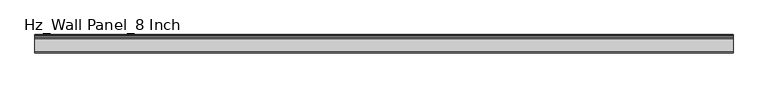
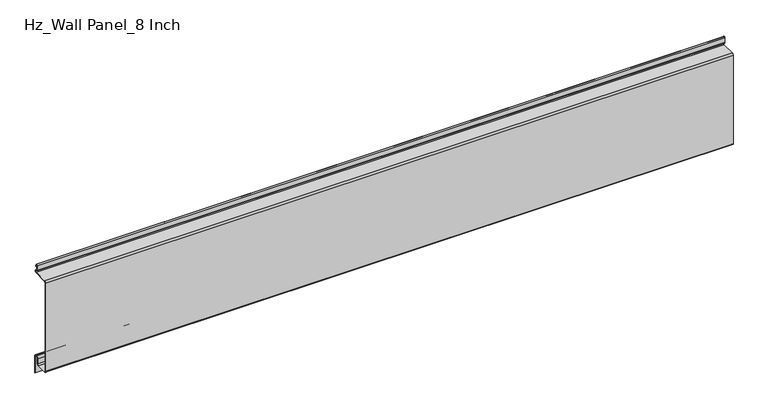
"""IFC4 building model written with IfcOpenShell, lengths in millimetres: plate geometry, Hz_Wall Panel_8 Inch."""

from ifc_helpers import new_model, si_unit, point, frame, frame_2d, origin, place, context, project, spatial, polyline, circle_curve, trimmed, segment, composite_curve, outline, extrude, source, transform, mapped, element, save


def hz_wall_panel_8_inch_5089414e(model_context):
    return source(origin(), model_context, "Body", "SweptSolid", [
        extrude(outline(composite_curve([segment(trimmed(circle_curve(frame_2d((-34.70689, 3.29311)), 3.29311), [point((-34.70689, 0.0))], [point((-38.0, 3.29311))], False, "CARTESIAN"), True, "CONTINUOUS"), segment(polyline([(-38.0, 3.29311), (-38.0, 199.90689)]), True, "CONTINUOUS"), segment(trimmed(circle_curve(frame_2d((-34.70689, 199.90689)), 3.29311), [point((-38.0, 199.90689))], [point((-34.70689, 203.2))], False, "CARTESIAN"), True, "CONTINUOUS"), segment(polyline([(-34.70689, 203.2), (-4.6773887, 203.2)]), True, "CONTINUOUS"), segment(trimmed(circle_curve(frame_2d((-4.660825, 205.4651212)), 2.2651817), [point((-4.6773887, 203.2))], [point((-4.6442612, 207.7302423))], True, "CARTESIAN"), True, "CONTINUOUS"), segment(polyline([(-4.6442612, 207.7302423), (-5.7777325, 207.7674798)]), True, "CONTINUOUS"), segment(trimmed(circle_curve(frame_2d((-5.3261005, 210.2256964)), 2.49936), [point((-5.7777325, 207.7674798))], [point((-7.8254605, 210.2256964))], False, "CARTESIAN"), True, "CONTINUOUS"), segment(polyline([(-7.8254605, 210.2256964), (-7.8254605, 220.565644)]), True, "CONTINUOUS"), segment(trimmed(circle_curve(frame_2d((-6.1368956, 220.5610222)), 1.6885712), [point((-7.8254605, 220.565644))], [point((-4.6205571, 221.3039826))], False, "CARTESIAN"), True, "CONTINUOUS"), segment(polyline([(-4.6205571, 221.3039826), (-2.8407483, 216.8011894), (-3.5847375, 216.5071145), (-5.3510415, 220.9757415)]), True, "CONTINUOUS"), segment(trimmed(circle_curve(frame_2d((-6.1368956, 220.5610222)), 0.8885712), [point((-5.3510415, 220.9757415))], [point((-7.0254605, 220.5643749))], True, "CARTESIAN"), True, "CONTINUOUS"), segment(polyline([(-7.0254605, 220.5643749), (-7.0254605, 210.2256964)]), True, "CONTINUOUS"), segment(trimmed(circle_curve(frame_2d((-5.3261005, 210.2256964)), 1.69936), [point((-7.0254605, 210.2256964))], [point((-5.686073, 208.5649001))], True, "CARTESIAN"), True, "CONTINUOUS"), segment(polyline([(-5.686073, 208.5649001), (-4.6274294, 208.530121)]), True, "CONTINUOUS"), segment(trimmed(circle_curve(frame_2d((-4.660825, 205.4651212)), 3.0651817), [point((-4.6274294, 208.530121))], [point((-4.680093, 202.4))], False, "CARTESIAN"), True, "CONTINUOUS"), segment(polyline([(-4.680093, 202.4), (-34.70689, 202.4)]), True, "CONTINUOUS"), segment(trimmed(circle_curve(frame_2d((-34.70689, 199.90689)), 2.49311), [point((-34.70689, 202.4))], [point((-37.2, 199.90689))], True, "CARTESIAN"), True, "CONTINUOUS"), segment(polyline([(-37.2, 199.90689), (-37.2, 3.29311)]), True, "CONTINUOUS"), segment(trimmed(circle_curve(frame_2d((-34.70689, 3.29311)), 2.49311), [point((-37.2, 3.29311))], [point((-34.70689, 0.8))], True, "CARTESIAN"), True, "CONTINUOUS"), segment(polyline([(-34.70689, 0.8), (-12.38547, 0.8)]), True, "CONTINUOUS"), segment(trimmed(circle_curve(frame_2d((-12.38547, 3.175)), 2.375), [point((-12.38547, 0.8))], [point((-10.01047, 3.175))], True, "CARTESIAN"), True, "CONTINUOUS"), segment(polyline([(-10.01047, 3.175), (-10.01047, 14.707235)]), True, "CONTINUOUS"), segment(trimmed(circle_curve(frame_2d((-6.03547, 14.707235)), 3.975), [point((-10.01047, 14.707235))], [point((-6.03547, 18.682235))], False, "CARTESIAN"), True, "CONTINUOUS"), segment(polyline([(-6.03547, 18.682235), (-3.975, 18.682235)]), True, "CONTINUOUS"), segment(trimmed(circle_curve(frame_2d((-3.975, 14.707235)), 3.975), [point((-3.975, 18.682235))], [point((0.0, 14.707235))], False, "CARTESIAN"), True, "CONTINUOUS"), segment(polyline([(0.0, 14.707235), (0.0, -22.4567442), (-0.8, -22.4567442), (-0.8, 14.707235)]), True, "CONTINUOUS"), segment(trimmed(circle_curve(frame_2d((-3.975, 14.707235)), 3.175), [point((-0.8, 14.707235))], [point((-3.975, 17.882235))], True, "CARTESIAN"), True, "CONTINUOUS"), segment(polyline([(-3.975, 17.882235), (-6.03547, 17.882235)]), True, "CONTINUOUS"), segment(trimmed(circle_curve(frame_2d((-6.03547, 14.707235)), 3.175), [point((-6.03547, 17.882235))], [point((-9.21047, 14.707235))], True, "CARTESIAN"), True, "CONTINUOUS"), segment(polyline([(-9.21047, 14.707235), (-9.21047, 3.175)]), True, "CONTINUOUS"), segment(trimmed(circle_curve(frame_2d((-12.38547, 3.175)), 3.175), [point((-9.21047, 3.175))], [point((-12.38547, 0.0))], False, "CARTESIAN"), True, "CONTINUOUS"), segment(polyline([(-12.38547, 0.0), (-34.70689, 0.0)]), True, "CONTINUOUS")], self_intersect=False)), frame((-723.9042608, 0.0, 0.0), z_axis=(1.0, 0.0, 0.0), x_axis=(0.0, 1.0, 0.0)), (0.0, 0.0, 1.0), 1447.8085217),
    ])


if __name__ == "__main__":
    model = new_model("IFC4")
    model_context = context("Model", 3, world=origin())
    ifc_project = project(units=[si_unit("LENGTHUNIT", "METRE", prefix="MILLI")], contexts=[model_context])
    site = spatial("IfcSite", under=ifc_project)
    building = spatial("IfcBuilding", under=site)
    placement = place(None, origin())
    hz_wall_panel_8_inch_shape = hz_wall_panel_8_inch_5089414e(model_context)
    element("IfcPlate", 1, ObjectType="Hz_Wall Panel_8 Inch", at=placement, inside=building, context=model_context, shape_type="MappedRepresentation", body=[
        mapped(hz_wall_panel_8_inch_shape, transform((0.0, 0.0, 0.0), x_axis=(1.0, 0.0, 0.0), y_axis=(0.0, 1.0, 0.0), z_axis=(0.0, 0.0, 1.0))),
    ])
    save(model, "model.ifc")
